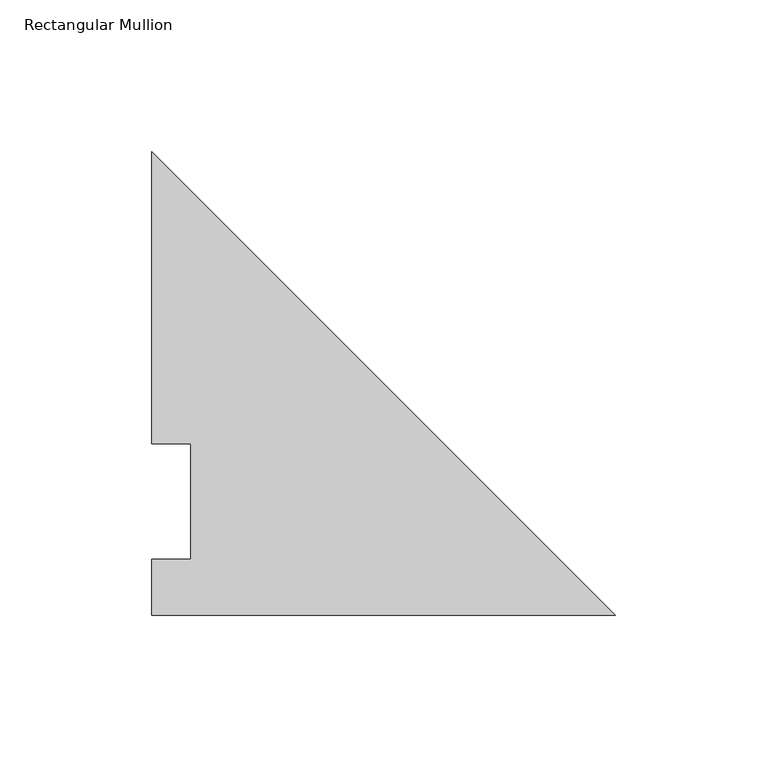
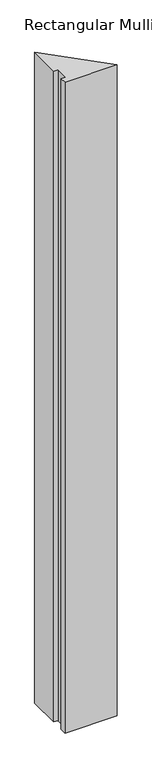
"""IFC4 building model written with IfcOpenShell, lengths in millimetres: member geometry, Rectangular Mullion."""

from ifc_helpers import new_model, si_unit, frame, origin, place, context, project, spatial, polyline, outline, extrude, source, transform, mapped, element, save


def rectangular_mullion_4f859746(model_context):
    return source(origin(), model_context, "Body", "SweptSolid", [
        extrude(outline(polyline([(-152.4000001, 152.36825), (0.0, -0.0317501), (-152.4000001, -0.0317501), (-152.4000001, 18.25625), (-139.7000001, 18.25625), (-139.7000001, 56.35625), (-152.4000001, 56.35625), (-152.4000001, 152.36825)])), frame((0.0, 0.0, -2006.6), z_axis=(0.0, 0.0, 1.0), x_axis=(1.0, 0.0, 0.0)), (0.0, 0.0, 1.0), 2006.6),
    ])


if __name__ == "__main__":
    model = new_model("IFC4")
    model_context = context("Model", 3, world=origin())
    ifc_project = project(units=[si_unit("LENGTHUNIT", "METRE", prefix="MILLI")], contexts=[model_context])
    site = spatial("IfcSite", under=ifc_project)
    building = spatial("IfcBuilding", under=site)
    placement = place(None, origin())
    rectangular_mullion_shape = rectangular_mullion_4f859746(model_context)
    element("IfcMember", 1, ObjectType="Rectangular Mullion", at=placement, inside=building, context=model_context, shape_type="MappedRepresentation", body=[
        mapped(rectangular_mullion_shape, transform((0.0, 0.0, 0.0), x_axis=(1.0, 0.0, 0.0), y_axis=(0.0, 1.0, 0.0), z_axis=(0.0, 0.0, 1.0))),
    ])
    save(model, "model.ifc")
